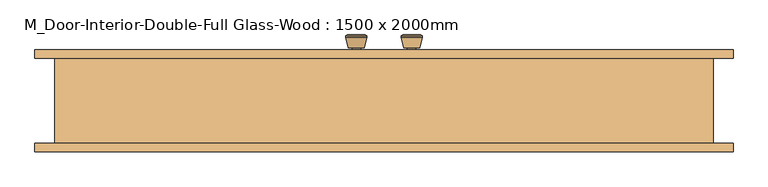
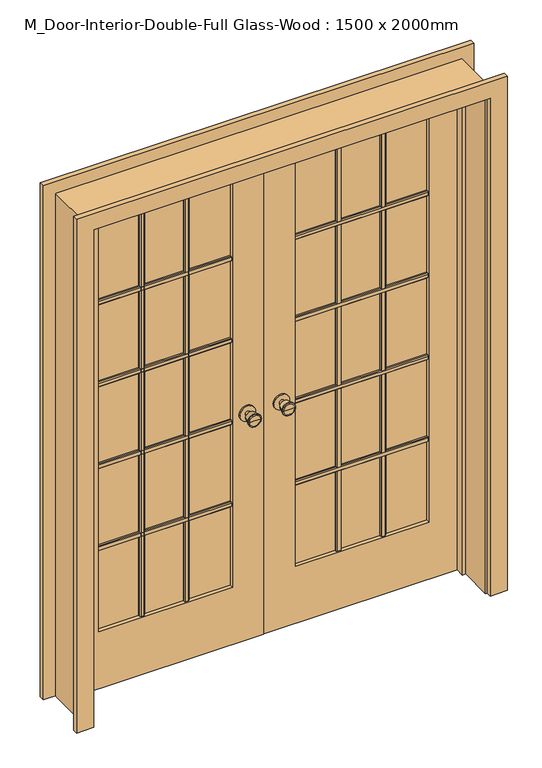
"""IFC4 building model written with IfcOpenShell, lengths in millimetres: door geometry, M_Door-Interior-Double-Full Glass-Wood : 1500 x 2000mm."""

from ifc_helpers import new_model, si_unit, point, frame, frame_2d, origin, place, context, project, spatial, polyline, circle_curve, trimmed, segment, composite_curve, outline, extrude, faceted_brep, source, transform, mapped, element, save
from ifc_brep_helpers import plane_surface, cylinder_surface, revolved_surface, advanced_brep


def m_door_interior_double_full_glass_wood_1500_x_2000mm_af437330(model_context):
    return source(origin(), model_context, "Body", "SolidModel", [
        advanced_brep(
        [(-65.0, 102.825, 914.4), (-75.0, 102.825, 914.4), (-55.0, 102.825, 914.4), (-85.4758676, 151.825, 914.4), (-65.0, 151.825, 914.4), (-44.5241324, 151.825, 914.4), (-90.0, 149.9971319, 914.4), (-40.0, 149.9971319, 914.4), (-90.0, 146.5334537, 914.4), (-40.0, 146.5334537, 914.4), (-83.636236, 121.825, 914.4), (-46.363764, 121.825, 914.4), (-75.0, 121.825, 914.4), (-55.0, 121.825, 914.4)],
        [
            (0, 1),
            (1, 2, circle_curve(frame((-65.0, 102.825, 914.4), z_axis=(0.0, -1.0, 0.0), x_axis=(1.0, 0.0, 0.0)), 10.0)),
            (2, 0),
            (2, 1, circle_curve(frame((-65.0, 102.825, 914.4), z_axis=(0.0, -1.0, 0.0), x_axis=(1.0, 0.0, 0.0)), 10.0)),
            (3, 4),
            (4, 5),
            (5, 3, circle_curve(frame((-65.0, 151.825, 914.4), z_axis=(0.0, 1.0, 0.0), x_axis=(1.0, 0.0, 0.0)), 20.4758676)),
            (3, 5, circle_curve(frame((-65.0, 151.825, 914.4), z_axis=(0.0, 1.0, 0.0), x_axis=(1.0, 0.0, 0.0)), 20.4758676)),
            (6, 3),
            (5, 7),
            (7, 6, circle_curve(frame((-65.0, 149.9971319, 914.4), z_axis=(0.0, 1.0, 0.0), x_axis=(1.0, 0.0, 0.0)), 25.0)),
            (6, 7, circle_curve(frame((-65.0, 149.9971319, 914.4), z_axis=(0.0, 1.0, 0.0), x_axis=(1.0, 0.0, 0.0)), 25.0)),
            (8, 6),
            (7, 9),
            (9, 8, circle_curve(frame((-65.0, 146.5334537, 914.4), z_axis=(0.0, 1.0, 0.0), x_axis=(1.0, 0.0, 0.0)), 25.0)),
            (8, 9, circle_curve(frame((-65.0, 146.5334537, 914.4), z_axis=(0.0, 1.0, 0.0), x_axis=(1.0, 0.0, 0.0)), 25.0)),
            (10, 8),
            (9, 11),
            (11, 10, circle_curve(frame((-65.0, 121.825, 914.4), z_axis=(0.0, 1.0, 0.0), x_axis=(1.0, 0.0, 0.0)), 18.636236)),
            (10, 11, circle_curve(frame((-65.0, 121.825, 914.4), z_axis=(0.0, 1.0, 0.0), x_axis=(1.0, 0.0, 0.0)), 18.636236)),
            (12, 10),
            (11, 13),
            (13, 12, circle_curve(frame((-65.0, 121.825, 914.4), z_axis=(0.0, 1.0, 0.0), x_axis=(1.0, 0.0, 0.0)), 10.0)),
            (12, 13, circle_curve(frame((-65.0, 121.825, 914.4), z_axis=(0.0, 1.0, 0.0), x_axis=(1.0, 0.0, 0.0)), 10.0)),
            (1, 12),
            (13, 2),
        ],
        [
            plane_surface(frame((-65.0, 102.825, 914.4), z_axis=(0.0, -1.0, 0.0), x_axis=(1.0, 0.0, 0.0))),
            plane_surface(frame((-65.0, 151.825, 914.4), z_axis=(0.0, 1.0, 0.0), x_axis=(1.0, 0.0, 0.0))),
            revolved_surface(polyline([(-44.5241324, 151.825, 914.4), (-40.0, 149.9971319, 914.4)]), (-65.0, 102.825, 914.4), (0.0, -1.0, 0.0)),
            cylinder_surface(frame((-65.0, 102.825, 914.4), z_axis=(0.0, -1.0, 0.0), x_axis=(1.0, 0.0, 0.0)), 25.0),
            revolved_surface(polyline([(-40.0, 146.5334537, 914.4), (-46.363764, 121.825, 914.4)]), (-65.0, 102.825, 914.4), (0.0, -1.0, 0.0)),
            plane_surface(frame((-65.0, 121.825, 914.4), z_axis=(0.0, -1.0, 0.0), x_axis=(1.0, 0.0, 0.0))),
            cylinder_surface(frame((-65.0, 102.825, 914.4), z_axis=(0.0, -1.0, 0.0), x_axis=(1.0, 0.0, 0.0)), 10.0),
        ],
        [
            (0, [[1, 2, 3]]),
            (0, [[-3, 4, -1]]),
            (1, [[5, 6, 7]]),
            (1, [[-6, -5, 8]]),
            (2, [[9, -7, 10, 11]]),
            (2, [[-10, -8, -9, 12]]),
            (3, [[13, -11, 14, 15]]),
            (3, [[-14, -12, -13, 16]]),
            (4, [[17, -15, 18, 19]]),
            (4, [[-18, -16, -17, 20]]),
            (5, [[21, -19, 22, 23]]),
            (5, [[-22, -20, -21, 24]]),
            (6, [[25, -23, 26, -2]]),
            (6, [[-26, -24, -25, -4]]),
        ],
    ),
        extrude(outline(composite_curve([segment(trimmed(circle_curve(frame_2d((914.4, -65.0)), 30.0), [point((914.4, -35.0))], [point((914.4, -95.0))], False, "CARTESIAN"), True, "CONTINUOUS"), segment(trimmed(circle_curve(frame_2d((914.4, -65.0)), 30.0), [point((914.4, -95.0))], [point((914.4, -35.0))], False, "CARTESIAN"), True, "CONTINUOUS")], self_intersect=False)), frame((0.0, 96.825, 0.0), z_axis=(0.0, 1.0, 0.0), x_axis=(0.0, 0.0, 1.0)), (0.0, 0.0, 1.0), 6.0),
        advanced_brep(
        [(-65.0, 55.825, 914.4), (-55.0, 55.825, 914.4), (-75.0, 55.825, 914.4), (-85.4758676, 6.825, 914.4), (-44.5241324, 6.825, 914.4), (-65.0, 6.825, 914.4), (-90.0, 8.6528681, 914.4), (-40.0, 8.6528681, 914.4), (-90.0, 12.1165463, 914.4), (-40.0, 12.1165463, 914.4), (-83.636236, 36.825, 914.4), (-46.363764, 36.825, 914.4), (-75.0, 36.825, 914.4), (-55.0, 36.825, 914.4)],
        [
            (0, 1),
            (1, 2, circle_curve(frame((-65.0, 55.825, 914.4), z_axis=(0.0, 1.0, 0.0), x_axis=(1.0, 0.0, 0.0)), 10.0)),
            (2, 0),
            (2, 1, circle_curve(frame((-65.0, 55.825, 914.4), z_axis=(0.0, 1.0, 0.0), x_axis=(1.0, 0.0, 0.0)), 10.0)),
            (3, 4, circle_curve(frame((-65.0, 6.825, 914.4), z_axis=(0.0, -1.0, 0.0), x_axis=(1.0, 0.0, 0.0)), 20.4758676)),
            (4, 5),
            (5, 3),
            (4, 3, circle_curve(frame((-65.0, 6.825, 914.4), z_axis=(0.0, -1.0, 0.0), x_axis=(1.0, 0.0, 0.0)), 20.4758676)),
            (6, 7, circle_curve(frame((-65.0, 8.6528681, 914.4), z_axis=(0.0, -1.0, 0.0), x_axis=(1.0, 0.0, 0.0)), 25.0)),
            (7, 4),
            (3, 6),
            (7, 6, circle_curve(frame((-65.0, 8.6528681, 914.4), z_axis=(0.0, -1.0, 0.0), x_axis=(1.0, 0.0, 0.0)), 25.0)),
            (8, 9, circle_curve(frame((-65.0, 12.1165463, 914.4), z_axis=(0.0, -1.0, 0.0), x_axis=(1.0, 0.0, 0.0)), 25.0)),
            (9, 7),
            (6, 8),
            (9, 8, circle_curve(frame((-65.0, 12.1165463, 914.4), z_axis=(0.0, -1.0, 0.0), x_axis=(1.0, 0.0, 0.0)), 25.0)),
            (10, 11, circle_curve(frame((-65.0, 36.825, 914.4), z_axis=(0.0, -1.0, 0.0), x_axis=(1.0, 0.0, 0.0)), 18.636236)),
            (11, 9),
            (8, 10),
            (11, 10, circle_curve(frame((-65.0, 36.825, 914.4), z_axis=(0.0, -1.0, 0.0), x_axis=(1.0, 0.0, 0.0)), 18.636236)),
            (12, 13, circle_curve(frame((-65.0, 36.825, 914.4), z_axis=(0.0, -1.0, 0.0), x_axis=(1.0, 0.0, 0.0)), 10.0)),
            (13, 11),
            (10, 12),
            (13, 12, circle_curve(frame((-65.0, 36.825, 914.4), z_axis=(0.0, -1.0, 0.0), x_axis=(1.0, 0.0, 0.0)), 10.0)),
            (1, 13),
            (12, 2),
        ],
        [
            plane_surface(frame((-65.0, 55.825, 914.4), z_axis=(0.0, 1.0, 0.0), x_axis=(1.0, 0.0, 0.0))),
            plane_surface(frame((-65.0, 6.825, 914.4), z_axis=(0.0, -1.0, 0.0), x_axis=(1.0, 0.0, 0.0))),
            revolved_surface(polyline([(-44.5241324, 6.825, 914.4), (-40.0, 8.6528681, 914.4)]), (-65.0, 55.825, 914.4), (0.0, 1.0, 0.0)),
            cylinder_surface(frame((-65.0, 55.825, 914.4), z_axis=(0.0, 1.0, 0.0), x_axis=(1.0, 0.0, 0.0)), 25.0),
            revolved_surface(polyline([(-40.0, 12.1165463, 914.4), (-46.363764, 36.825, 914.4)]), (-65.0, 55.825, 914.4), (0.0, 1.0, 0.0)),
            plane_surface(frame((-65.0, 36.825, 914.4), z_axis=(0.0, 1.0, 0.0), x_axis=(1.0, 0.0, 0.0))),
            cylinder_surface(frame((-65.0, 55.825, 914.4), z_axis=(0.0, 1.0, 0.0), x_axis=(1.0, 0.0, 0.0)), 10.0),
        ],
        [
            (0, [[1, 2, 3]]),
            (0, [[-3, 4, -1]]),
            (1, [[5, 6, 7]]),
            (1, [[8, -7, -6]]),
            (2, [[9, 10, -5, 11]]),
            (2, [[12, -11, -8, -10]]),
            (3, [[13, 14, -9, 15]]),
            (3, [[16, -15, -12, -14]]),
            (4, [[17, 18, -13, 19]]),
            (4, [[20, -19, -16, -18]]),
            (5, [[21, 22, -17, 23]]),
            (5, [[24, -23, -20, -22]]),
            (6, [[-2, 25, -21, 26]]),
            (6, [[-4, -26, -24, -25]]),
        ],
    ),
        extrude(outline(composite_curve([segment(trimmed(circle_curve(frame_2d((914.4, -65.0)), 30.0), [point((914.4, -35.0))], [point((914.4, -95.0))], False, "CARTESIAN"), True, "CONTINUOUS"), segment(trimmed(circle_curve(frame_2d((914.4, -65.0)), 30.0), [point((914.4, -95.0))], [point((914.4, -35.0))], False, "CARTESIAN"), True, "CONTINUOUS")], self_intersect=False)), frame((0.0, 55.825, 0.0), z_axis=(0.0, 1.0, 0.0), x_axis=(0.0, 0.0, 1.0)), (0.0, 0.0, 1.0), 6.0),
        extrude(outline(polyline([(75.825, 1559.525), (75.825, 1540.475), (69.475, 1540.475), (66.3, 1543.65), (66.3, 1556.35), (69.475, 1559.525), (75.825, 1559.525)])), frame((120.0, 0.0, 0.0), z_axis=(1.0, 0.0, 0.0), x_axis=(0.0, 1.0, 0.0)), (0.0, 0.0, 1.0), 510.0),
        extrude(outline(polyline([(75.825, 1229.525), (75.825, 1210.475), (69.475, 1210.475), (66.3, 1213.65), (66.3, 1226.35), (69.475, 1229.525), (75.825, 1229.525)])), frame((120.0, 0.0, 0.0), z_axis=(1.0, 0.0, 0.0), x_axis=(0.0, 1.0, 0.0)), (0.0, 0.0, 1.0), 510.0),
        extrude(outline(polyline([(75.825, 899.525), (75.825, 880.475), (69.475, 880.475), (66.3, 883.65), (66.3, 896.35), (69.475, 899.525), (75.825, 899.525)])), frame((120.0, 0.0, 0.0), z_axis=(1.0, 0.0, 0.0), x_axis=(0.0, 1.0, 0.0)), (0.0, 0.0, 1.0), 510.0),
        extrude(outline(polyline([(75.825, 569.525), (75.825, 550.475), (69.475, 550.475), (66.3, 553.65), (66.3, 566.35), (69.475, 569.525), (75.825, 569.525)])), frame((120.0, 0.0, 0.0), z_axis=(1.0, 0.0, 0.0), x_axis=(0.0, 1.0, 0.0)), (0.0, 0.0, 1.0), 510.0),
        extrude(outline(polyline([(450.475, 75.825), (469.525, 75.825), (469.525, 69.475), (466.35, 66.3), (453.65, 66.3), (450.475, 69.475), (450.475, 75.825)])), frame((0.0, 0.0, 230.0), z_axis=(0.0, 0.0, 1.0), x_axis=(1.0, 0.0, 0.0)), (0.0, 0.0, 1.0), 1650.0),
        extrude(outline(polyline([(280.475, 75.825), (299.525, 75.825), (299.525, 69.475), (296.35, 66.3), (283.65, 66.3), (280.475, 69.475), (280.475, 75.825)])), frame((0.0, 0.0, 230.0), z_axis=(0.0, 0.0, 1.0), x_axis=(1.0, 0.0, 0.0)), (0.0, 0.0, 1.0), 1650.0),
        extrude(outline(polyline([(82.825, 1559.525), (89.175, 1559.525), (92.35, 1556.35), (92.35, 1543.65), (89.175, 1540.475), (82.825, 1540.475), (82.825, 1559.525)])), frame((-630.0, 0.0, 0.0), z_axis=(1.0, 0.0, 0.0), x_axis=(0.0, 1.0, 0.0)), (0.0, 0.0, 1.0), 510.0),
        extrude(outline(polyline([(82.825, 1229.525), (89.175, 1229.525), (92.35, 1226.35), (92.35, 1213.65), (89.175, 1210.475), (82.825, 1210.475), (82.825, 1229.525)])), frame((-630.0, 0.0, 0.0), z_axis=(1.0, 0.0, 0.0), x_axis=(0.0, 1.0, 0.0)), (0.0, 0.0, 1.0), 510.0),
        extrude(outline(polyline([(82.825, 899.525), (89.175, 899.525), (92.35, 896.35), (92.35, 883.65), (89.175, 880.475), (82.825, 880.475), (82.825, 899.525)])), frame((-630.0, 0.0, 0.0), z_axis=(1.0, 0.0, 0.0), x_axis=(0.0, 1.0, 0.0)), (0.0, 0.0, 1.0), 510.0),
        extrude(outline(polyline([(82.825, 569.525), (89.175, 569.525), (92.35, 566.35), (92.35, 553.65), (89.175, 550.475), (82.825, 550.475), (82.825, 569.525)])), frame((-630.0, 0.0, 0.0), z_axis=(1.0, 0.0, 0.0), x_axis=(0.0, 1.0, 0.0)), (0.0, 0.0, 1.0), 510.0),
        extrude(outline(polyline([(-299.525, 82.825), (-299.525, 89.175), (-296.35, 92.35), (-283.65, 92.35), (-280.475, 89.175), (-280.475, 82.825), (-299.525, 82.825)])), frame((0.0, 0.0, 230.0), z_axis=(0.0, 0.0, 1.0), x_axis=(1.0, 0.0, 0.0)), (0.0, 0.0, 1.0), 1650.0),
        extrude(outline(polyline([(-469.525, 82.825), (-469.525, 89.175), (-466.35, 92.35), (-453.65, 92.35), (-450.475, 89.175), (-450.475, 82.825), (-469.525, 82.825)])), frame((0.0, 0.0, 230.0), z_axis=(0.0, 0.0, 1.0), x_axis=(1.0, 0.0, 0.0)), (0.0, 0.0, 1.0), 1650.0),
        extrude(outline(polyline([(82.825, 1559.525), (89.175, 1559.525), (92.35, 1556.35), (92.35, 1543.65), (89.175, 1540.475), (82.825, 1540.475), (82.825, 1559.525)])), frame((120.0, 0.0, 0.0), z_axis=(1.0, 0.0, 0.0), x_axis=(0.0, 1.0, 0.0)), (0.0, 0.0, 1.0), 510.0),
        extrude(outline(polyline([(82.825, 1229.525), (89.175, 1229.525), (92.35, 1226.35), (92.35, 1213.65), (89.175, 1210.475), (82.825, 1210.475), (82.825, 1229.525)])), frame((120.0, 0.0, 0.0), z_axis=(1.0, 0.0, 0.0), x_axis=(0.0, 1.0, 0.0)), (0.0, 0.0, 1.0), 510.0),
        extrude(outline(polyline([(82.825, 899.525), (89.175, 899.525), (92.35, 896.35), (92.35, 883.65), (89.175, 880.475), (82.825, 880.475), (82.825, 899.525)])), frame((120.0, 0.0, 0.0), z_axis=(1.0, 0.0, 0.0), x_axis=(0.0, 1.0, 0.0)), (0.0, 0.0, 1.0), 510.0),
        extrude(outline(polyline([(82.825, 569.525), (89.175, 569.525), (92.35, 566.35), (92.35, 553.65), (89.175, 550.475), (82.825, 550.475), (82.825, 569.525)])), frame((120.0, 0.0, 0.0), z_axis=(1.0, 0.0, 0.0), x_axis=(0.0, 1.0, 0.0)), (0.0, 0.0, 1.0), 510.0),
        extrude(outline(polyline([(450.475, 82.825), (450.475, 89.175), (453.65, 92.35), (466.35, 92.35), (469.525, 89.175), (469.525, 82.825), (450.475, 82.825)])), frame((0.0, 0.0, 230.0), z_axis=(0.0, 0.0, 1.0), x_axis=(1.0, 0.0, 0.0)), (0.0, 0.0, 1.0), 1650.0),
        extrude(outline(polyline([(280.475, 82.825), (280.475, 89.175), (283.65, 92.35), (296.35, 92.35), (299.525, 89.175), (299.525, 82.825), (280.475, 82.825)])), frame((0.0, 0.0, 230.0), z_axis=(0.0, 0.0, 1.0), x_axis=(1.0, 0.0, 0.0)), (0.0, 0.0, 1.0), 1650.0),
        extrude(outline(polyline([(75.825, 1559.525), (75.825, 1540.475), (69.475, 1540.475), (66.3, 1543.65), (66.3, 1556.35), (69.475, 1559.525), (75.825, 1559.525)])), frame((-630.0, 0.0, 0.0), z_axis=(1.0, 0.0, 0.0), x_axis=(0.0, 1.0, 0.0)), (0.0, 0.0, 1.0), 510.0),
        extrude(outline(polyline([(75.825, 1229.525), (75.825, 1210.475), (69.475, 1210.475), (66.3, 1213.65), (66.3, 1226.35), (69.475, 1229.525), (75.825, 1229.525)])), frame((-630.0, 0.0, 0.0), z_axis=(1.0, 0.0, 0.0), x_axis=(0.0, 1.0, 0.0)), (0.0, 0.0, 1.0), 510.0),
        extrude(outline(polyline([(75.825, 899.525), (75.825, 880.475), (69.475, 880.475), (66.3, 883.65), (66.3, 896.35), (69.475, 899.525), (75.825, 899.525)])), frame((-630.0, 0.0, 0.0), z_axis=(1.0, 0.0, 0.0), x_axis=(0.0, 1.0, 0.0)), (0.0, 0.0, 1.0), 510.0),
        extrude(outline(polyline([(75.825, 569.525), (75.825, 550.475), (69.475, 550.475), (66.3, 553.65), (66.3, 566.35), (69.475, 569.525), (75.825, 569.525)])), frame((-630.0, 0.0, 0.0), z_axis=(1.0, 0.0, 0.0), x_axis=(0.0, 1.0, 0.0)), (0.0, 0.0, 1.0), 510.0),
        extrude(outline(polyline([(-299.525, 75.825), (-280.475, 75.825), (-280.475, 69.475), (-283.65, 66.3), (-296.35, 66.3), (-299.525, 69.475), (-299.525, 75.825)])), frame((0.0, 0.0, 230.0), z_axis=(0.0, 0.0, 1.0), x_axis=(1.0, 0.0, 0.0)), (0.0, 0.0, 1.0), 1650.0),
        extrude(outline(polyline([(-469.525, 75.825), (-450.475, 75.825), (-450.475, 69.475), (-453.65, 66.3), (-466.35, 66.3), (-469.525, 69.475), (-469.525, 75.825)])), frame((0.0, 0.0, 230.0), z_axis=(0.0, 0.0, 1.0), x_axis=(1.0, 0.0, 0.0)), (0.0, 0.0, 1.0), 1650.0),
        advanced_brep(
        [(65.0, 55.825, 914.4), (75.0, 55.825, 914.4), (55.0, 55.825, 914.4), (85.4758676, 6.825, 914.4), (65.0, 6.825, 914.4), (44.5241324, 6.825, 914.4), (90.0, 8.6528681, 914.4), (40.0, 8.6528681, 914.4), (90.0, 12.1165463, 914.4), (40.0, 12.1165463, 914.4), (83.636236, 36.825, 914.4), (46.363764, 36.825, 914.4), (75.0, 36.825, 914.4), (55.0, 36.825, 914.4)],
        [
            (0, 1),
            (1, 2, circle_curve(frame((65.0, 55.825, 914.4), z_axis=(0.0, 1.0, 0.0), x_axis=(-1.0, 0.0, 0.0)), 10.0)),
            (2, 0),
            (2, 1, circle_curve(frame((65.0, 55.825, 914.4), z_axis=(0.0, 1.0, 0.0), x_axis=(-1.0, 0.0, 0.0)), 10.0)),
            (3, 4),
            (4, 5),
            (5, 3, circle_curve(frame((65.0, 6.825, 914.4), z_axis=(0.0, -1.0, 0.0), x_axis=(-1.0, 0.0, 0.0)), 20.4758676)),
            (3, 5, circle_curve(frame((65.0, 6.825, 914.4), z_axis=(0.0, -1.0, 0.0), x_axis=(-1.0, 0.0, 0.0)), 20.4758676)),
            (6, 3),
            (5, 7),
            (7, 6, circle_curve(frame((65.0, 8.6528681, 914.4), z_axis=(0.0, -1.0, 0.0), x_axis=(-1.0, 0.0, 0.0)), 25.0)),
            (6, 7, circle_curve(frame((65.0, 8.6528681, 914.4), z_axis=(0.0, -1.0, 0.0), x_axis=(-1.0, 0.0, 0.0)), 25.0)),
            (8, 6),
            (7, 9),
            (9, 8, circle_curve(frame((65.0, 12.1165463, 914.4), z_axis=(0.0, -1.0, 0.0), x_axis=(-1.0, 0.0, 0.0)), 25.0)),
            (8, 9, circle_curve(frame((65.0, 12.1165463, 914.4), z_axis=(0.0, -1.0, 0.0), x_axis=(-1.0, 0.0, 0.0)), 25.0)),
            (10, 8),
            (9, 11),
            (11, 10, circle_curve(frame((65.0, 36.825, 914.4), z_axis=(0.0, -1.0, 0.0), x_axis=(-1.0, 0.0, 0.0)), 18.636236)),
            (10, 11, circle_curve(frame((65.0, 36.825, 914.4), z_axis=(0.0, -1.0, 0.0), x_axis=(-1.0, 0.0, 0.0)), 18.636236)),
            (12, 10),
            (11, 13),
            (13, 12, circle_curve(frame((65.0, 36.825, 914.4), z_axis=(0.0, -1.0, 0.0), x_axis=(-1.0, 0.0, 0.0)), 10.0)),
            (12, 13, circle_curve(frame((65.0, 36.825, 914.4), z_axis=(0.0, -1.0, 0.0), x_axis=(-1.0, 0.0, 0.0)), 10.0)),
            (1, 12),
            (13, 2),
        ],
        [
            plane_surface(frame((65.0, 55.825, 914.4), z_axis=(0.0, 1.0, 0.0), x_axis=(-1.0, 0.0, 0.0))),
            plane_surface(frame((65.0, 6.825, 914.4), z_axis=(0.0, -1.0, 0.0), x_axis=(-1.0, 0.0, 0.0))),
            revolved_surface(polyline([(44.5241324, 6.825, 914.4), (40.0, 8.6528681, 914.4)]), (65.0, 55.825, 914.4), (0.0, 1.0, 0.0)),
            cylinder_surface(frame((65.0, 55.825, 914.4), z_axis=(0.0, 1.0, 0.0), x_axis=(-1.0, 0.0, 0.0)), 25.0),
            revolved_surface(polyline([(40.0, 12.1165463, 914.4), (46.363764, 36.825, 914.4)]), (65.0, 55.825, 914.4), (0.0, 1.0, 0.0)),
            plane_surface(frame((65.0, 36.825, 914.4), z_axis=(0.0, 1.0, 0.0), x_axis=(-1.0, 0.0, 0.0))),
            cylinder_surface(frame((65.0, 55.825, 914.4), z_axis=(0.0, 1.0, 0.0), x_axis=(-1.0, 0.0, 0.0)), 10.0),
        ],
        [
            (0, [[1, 2, 3]]),
            (0, [[-3, 4, -1]]),
            (1, [[5, 6, 7]]),
            (1, [[-6, -5, 8]]),
            (2, [[9, -7, 10, 11]]),
            (2, [[-10, -8, -9, 12]]),
            (3, [[13, -11, 14, 15]]),
            (3, [[-14, -12, -13, 16]]),
            (4, [[17, -15, 18, 19]]),
            (4, [[-18, -16, -17, 20]]),
            (5, [[21, -19, 22, 23]]),
            (5, [[-22, -20, -21, 24]]),
            (6, [[25, -23, 26, -2]]),
            (6, [[-26, -24, -25, -4]]),
        ],
    ),
        extrude(outline(composite_curve([segment(trimmed(circle_curve(frame_2d((914.4, 65.0)), 30.0), [point((914.4, 35.0))], [point((914.4, 95.0))], False, "CARTESIAN"), True, "CONTINUOUS"), segment(trimmed(circle_curve(frame_2d((914.4, 65.0)), 30.0), [point((914.4, 95.0))], [point((914.4, 35.0))], False, "CARTESIAN"), True, "CONTINUOUS")], self_intersect=False)), frame((0.0, 55.825, 0.0), z_axis=(0.0, 1.0, 0.0), x_axis=(0.0, 0.0, 1.0)), (0.0, 0.0, 1.0), 6.0),
        advanced_brep(
        [(65.0, 102.825, 914.4), (55.0, 102.825, 914.4), (75.0, 102.825, 914.4), (85.4758676, 151.825, 914.4), (44.5241324, 151.825, 914.4), (65.0, 151.825, 914.4), (90.0, 149.9971319, 914.4), (40.0, 149.9971319, 914.4), (90.0, 146.5334537, 914.4), (40.0, 146.5334537, 914.4), (83.636236, 121.825, 914.4), (46.363764, 121.825, 914.4), (75.0, 121.825, 914.4), (55.0, 121.825, 914.4)],
        [
            (0, 1),
            (1, 2, circle_curve(frame((65.0, 102.825, 914.4), z_axis=(0.0, -1.0, 0.0), x_axis=(-1.0, 0.0, 0.0)), 10.0)),
            (2, 0),
            (2, 1, circle_curve(frame((65.0, 102.825, 914.4), z_axis=(0.0, -1.0, 0.0), x_axis=(-1.0, 0.0, 0.0)), 10.0)),
            (3, 4, circle_curve(frame((65.0, 151.825, 914.4), z_axis=(0.0, 1.0, 0.0), x_axis=(-1.0, 0.0, 0.0)), 20.4758676)),
            (4, 5),
            (5, 3),
            (4, 3, circle_curve(frame((65.0, 151.825, 914.4), z_axis=(0.0, 1.0, 0.0), x_axis=(-1.0, 0.0, 0.0)), 20.4758676)),
            (6, 7, circle_curve(frame((65.0, 149.9971319, 914.4), z_axis=(0.0, 1.0, 0.0), x_axis=(-1.0, 0.0, 0.0)), 25.0)),
            (7, 4),
            (3, 6),
            (7, 6, circle_curve(frame((65.0, 149.9971319, 914.4), z_axis=(0.0, 1.0, 0.0), x_axis=(-1.0, 0.0, 0.0)), 25.0)),
            (8, 9, circle_curve(frame((65.0, 146.5334537, 914.4), z_axis=(0.0, 1.0, 0.0), x_axis=(-1.0, 0.0, 0.0)), 25.0)),
            (9, 7),
            (6, 8),
            (9, 8, circle_curve(frame((65.0, 146.5334537, 914.4), z_axis=(0.0, 1.0, 0.0), x_axis=(-1.0, 0.0, 0.0)), 25.0)),
            (10, 11, circle_curve(frame((65.0, 121.825, 914.4), z_axis=(0.0, 1.0, 0.0), x_axis=(-1.0, 0.0, 0.0)), 18.636236)),
            (11, 9),
            (8, 10),
            (11, 10, circle_curve(frame((65.0, 121.825, 914.4), z_axis=(0.0, 1.0, 0.0), x_axis=(-1.0, 0.0, 0.0)), 18.636236)),
            (12, 13, circle_curve(frame((65.0, 121.825, 914.4), z_axis=(0.0, 1.0, 0.0), x_axis=(-1.0, 0.0, 0.0)), 10.0)),
            (13, 11),
            (10, 12),
            (13, 12, circle_curve(frame((65.0, 121.825, 914.4), z_axis=(0.0, 1.0, 0.0), x_axis=(-1.0, 0.0, 0.0)), 10.0)),
            (1, 13),
            (12, 2),
        ],
        [
            plane_surface(frame((65.0, 102.825, 914.4), z_axis=(0.0, -1.0, 0.0), x_axis=(-1.0, 0.0, 0.0))),
            plane_surface(frame((65.0, 151.825, 914.4), z_axis=(0.0, 1.0, 0.0), x_axis=(-1.0, 0.0, 0.0))),
            revolved_surface(polyline([(44.5241324, 151.825, 914.4), (40.0, 149.9971319, 914.4)]), (65.0, 102.825, 914.4), (0.0, -1.0, 0.0)),
            cylinder_surface(frame((65.0, 102.825, 914.4), z_axis=(0.0, -1.0, 0.0), x_axis=(-1.0, 0.0, 0.0)), 25.0),
            revolved_surface(polyline([(40.0, 146.5334537, 914.4), (46.363764, 121.825, 914.4)]), (65.0, 102.825, 914.4), (0.0, -1.0, 0.0)),
            plane_surface(frame((65.0, 121.825, 914.4), z_axis=(0.0, -1.0, 0.0), x_axis=(-1.0, 0.0, 0.0))),
            cylinder_surface(frame((65.0, 102.825, 914.4), z_axis=(0.0, -1.0, 0.0), x_axis=(-1.0, 0.0, 0.0)), 10.0),
        ],
        [
            (0, [[1, 2, 3]]),
            (0, [[-3, 4, -1]]),
            (1, [[5, 6, 7]]),
            (1, [[8, -7, -6]]),
            (2, [[9, 10, -5, 11]]),
            (2, [[12, -11, -8, -10]]),
            (3, [[13, 14, -9, 15]]),
            (3, [[16, -15, -12, -14]]),
            (4, [[17, 18, -13, 19]]),
            (4, [[20, -19, -16, -18]]),
            (5, [[21, 22, -17, 23]]),
            (5, [[24, -23, -20, -22]]),
            (6, [[-2, 25, -21, 26]]),
            (6, [[-4, -26, -24, -25]]),
        ],
    ),
        extrude(outline(composite_curve([segment(trimmed(circle_curve(frame_2d((914.4, 65.0)), 30.0), [point((914.4, 35.0))], [point((914.4, 95.0))], False, "CARTESIAN"), True, "CONTINUOUS"), segment(trimmed(circle_curve(frame_2d((914.4, 65.0)), 30.0), [point((914.4, 95.0))], [point((914.4, 35.0))], False, "CARTESIAN"), True, "CONTINUOUS")], self_intersect=False)), frame((0.0, 96.825, 0.0), z_axis=(0.0, 1.0, 0.0), x_axis=(0.0, 0.0, 1.0)), (0.0, 0.0, 1.0), 6.0),
        extrude(outline(polyline([(0.0, 756.35), (0.0, 821.35), (2071.35, 821.35), (2071.35, -821.35), (0.0, -821.35), (0.0, -756.35), (2006.35, -756.35), (2006.35, 756.35), (0.0, 756.35)])), frame((0.0, 96.825, 0.0), z_axis=(0.0, 1.0, 0.0), x_axis=(0.0, 0.0, 1.0)), (0.0, 0.0, 1.0), 20.0),
        extrude(outline(polyline([(0.0, 756.35), (0.0, 821.35), (2071.35, 821.35), (2071.35, -821.35), (0.0, -821.35), (0.0, -756.35), (2006.35, -756.35), (2006.35, 756.35), (0.0, 756.35)])), frame((0.0, -123.175, 0.0), z_axis=(0.0, 1.0, 0.0), x_axis=(0.0, 0.0, 1.0)), (0.0, 0.0, 1.0), 20.0),
        extrude(outline(polyline([(2000.0, -750.0), (0.0, -750.0), (0.0, -1.6019111), (2000.0, -1.6019111), (2000.0, -750.0)]), holes=[polyline([(230.0, -630.0), (1880.0, -630.0), (1880.0, -120.0), (230.0, -120.0), (230.0, -630.0)])]), frame((0.0, 61.825, 0.0), z_axis=(0.0, 1.0, 0.0), x_axis=(0.0, 0.0, 1.0)), (0.0, 0.0, 1.0), 35.0),
        extrude(outline(polyline([(0.0, 750.0), (2000.0, 750.0), (2000.0, 1.5875), (0.0, 1.5875), (0.0, 750.0)]), holes=[polyline([(1880.0, 120.0), (1880.0, 630.0), (230.0, 630.0), (230.0, 120.0), (1880.0, 120.0)])]), frame((0.0, 61.825, 0.0), z_axis=(0.0, 1.0, 0.0), x_axis=(0.0, 0.0, 1.0)), (0.0, 0.0, 1.0), 35.0),
        faceted_brep([(775.0, 96.825, 0.0), (775.0, -103.175, 0.0), (750.0, -103.175, 0.0), (750.0, 26.9, 0.0), (737.3, 26.9, 0.0), (737.3, 61.825, 0.0), (750.0, 61.825, 0.0), (750.0, 96.825, 0.0), (775.0, 96.825, 2025.0), (775.0, -103.175, 2025.0), (-775.0, -103.175, 2025.0), (-775.0, -103.175, 0.0), (-750.0, -103.175, 0.0), (-750.0, -103.175, 2000.0), (750.0, -103.175, 2000.0), (750.0, 26.9, 2000.0), (-750.0, 26.9, 2000.0), (-750.0, 26.9, 0.0), (-737.3, 26.9, 0.0), (-737.3, 26.9, 1987.3), (737.3, 26.9, 1987.3), (737.3, 61.825, 1987.3), (1.5875, 61.825, 1987.3), (-1.6019111, 61.825, 1987.3), (-737.3, 61.825, 1987.3), (-737.3, 61.825, 0.0), (-750.0, 61.825, 0.0), (-750.0, 61.825, 2000.0), (-1.6019111, 61.825, 2000.0), (1.5875, 61.825, 2000.0), (750.0, 61.825, 2000.0), (750.0, 96.825, 2000.0), (1.5875, 96.825, 2000.0), (-1.6019111, 96.825, 2000.0), (-750.0, 96.825, 2000.0), (-750.0, 96.825, 0.0), (-775.0, 96.825, 0.0), (-775.0, 96.825, 2025.0)], [[[0, 1, 2, 3, 4, 5, 6, 7]], [[1, 0, 8, 9]], [[2, 1, 9, 10, 11, 12, 13, 14]], [[3, 2, 14, 15]], [[4, 3, 15, 16, 17, 18, 19, 20]], [[5, 4, 20, 21]], [[6, 5, 21, 22, 23, 24, 25, 26, 27, 28, 29, 30]], [[7, 6, 30, 31]], [[0, 7, 31, 32, 33, 34, 35, 36, 37, 8]], [[9, 8, 37, 10]], [[14, 13, 16, 15]], [[20, 19, 24, 23, 22, 21]], [[31, 30, 29, 28, 27, 34, 33, 32]], [[12, 11, 36, 35, 26, 25, 18, 17]], [[11, 10, 37, 36]], [[13, 12, 17, 16]], [[19, 18, 25, 24]], [[27, 26, 35, 34]]]),
        extrude(outline(polyline([(630.0, 75.825), (120.0, 75.825), (120.0, 82.825), (630.0, 82.825), (630.0, 75.825)])), frame((0.0, 0.0, 230.0), z_axis=(0.0, 0.0, 1.0), x_axis=(1.0, 0.0, 0.0)), (0.0, 0.0, 1.0), 1650.0),
        extrude(outline(polyline([(-120.0, 75.825), (-630.0, 75.825), (-630.0, 82.825), (-120.0, 82.825), (-120.0, 75.825)])), frame((0.0, 0.0, 230.0), z_axis=(0.0, 0.0, 1.0), x_axis=(1.0, 0.0, 0.0)), (0.0, 0.0, 1.0), 1650.0),
    ])


if __name__ == "__main__":
    model = new_model("IFC4")
    model_context = context("Model", 3, world=origin())
    ifc_project = project(units=[si_unit("LENGTHUNIT", "METRE", prefix="MILLI")], contexts=[model_context])
    site = spatial("IfcSite", under=ifc_project)
    building = spatial("IfcBuilding", under=site)
    placement = place(None, origin())
    m_door_interior_double_full_glass_wood_1500_x_2000mm_shape = m_door_interior_double_full_glass_wood_1500_x_2000mm_af437330(model_context)
    element("IfcDoor", 1, ObjectType="M_Door-Interior-Double-Full Glass-Wood : 1500 x 2000mm", at=placement, inside=building, context=model_context, shape_type="MappedRepresentation", body=[
        mapped(m_door_interior_double_full_glass_wood_1500_x_2000mm_shape, transform((0.0, 0.0, 0.0), x_axis=(1.0, 0.0, 0.0), y_axis=(0.0, 1.0, 0.0), z_axis=(0.0, 0.0, 1.0))),
    ])
    save(model, "model.ifc")
